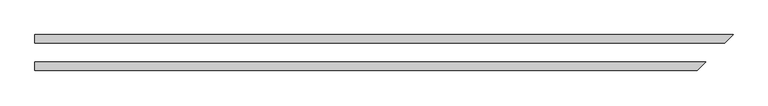
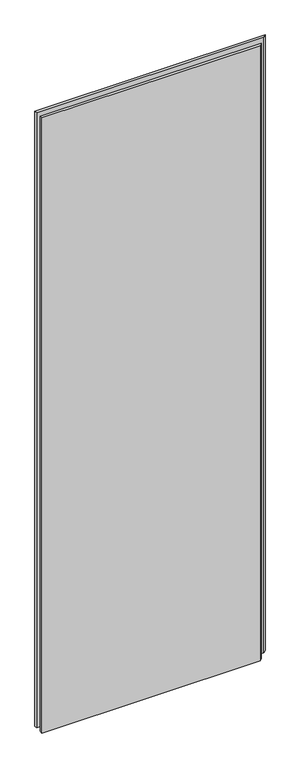
"""IFC4 building model written with IfcOpenShell, lengths in millimetres: plate geometry."""

from ifc_helpers import new_model, si_unit, origin, origin_with_axes, place, context, project, spatial, polyline, outline, extrude, source, transform, mapped, element, save


def plate_7fd36fa6(model_context):
    return source(origin(), model_context, "Body", "SweptSolid", [
        extrude(outline(polyline([(538.1625, 26.9875), (525.4625, 14.2875), (-511.175, 14.2875), (-511.175, 26.9875), (538.1625, 26.9875)])), origin_with_axes(), (0.0, 0.0, 1.0), 2965.45),
        extrude(outline(polyline([(484.1875, -26.9875), (-511.175, -26.9875), (-511.175, -14.2875), (496.8875, -14.2875), (484.1875, -26.9875)])), origin_with_axes(), (0.0, 0.0, 1.0), 2965.45),
    ])


if __name__ == "__main__":
    model = new_model("IFC4")
    model_context = context("Model", 3, world=origin())
    ifc_project = project(units=[si_unit("LENGTHUNIT", "METRE", prefix="MILLI")], contexts=[model_context])
    site = spatial("IfcSite", under=ifc_project)
    building = spatial("IfcBuilding", under=site)
    placement = place(None, origin())
    plate_shape = plate_7fd36fa6(model_context)
    element("IfcPlate", 1, at=placement, inside=building, context=model_context, shape_type="MappedRepresentation", body=[
        mapped(plate_shape, transform((0.0, 0.0, 0.0), x_axis=(1.0, 0.0, 0.0), y_axis=(0.0, 1.0, 0.0), z_axis=(0.0, 0.0, 1.0))),
    ])
    save(model, "model.ifc")
